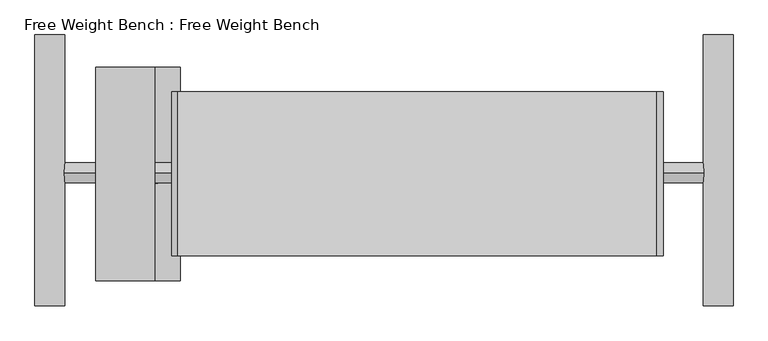
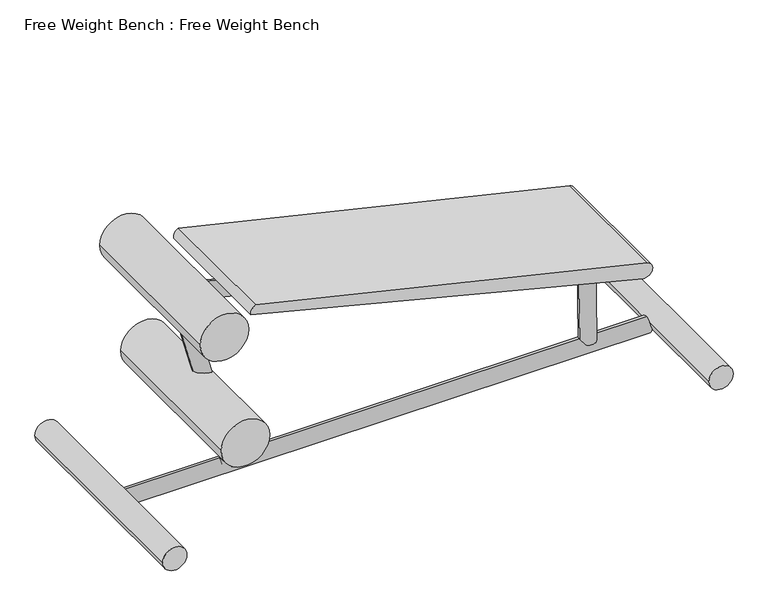
"""IFC4 building model written with IfcOpenShell, lengths in millimetres: proxy geometry, Free Weight Bench : Free Weight Bench."""

from ifc_helpers import new_model, si_unit, point, frame, frame_2d, origin, place, context, project, spatial, polyline, circle_curve, trimmed, segment, composite_curve, outline, extrude, source, transform, mapped, element, save


def free_weight_bench_free_weight_bench_a57117fc(model_context):
    return source(origin(), model_context, "Body", "SweptSolid", [
        extrude(outline(composite_curve([segment(trimmed(circle_curve(frame_2d((39.9587999, -29.6018185)), 38.1), [point((39.9587999, 8.4981815))], [point((39.9587999, -67.7018185))], False, "CARTESIAN"), True, "CONTINUOUS"), segment(trimmed(circle_curve(frame_2d((39.9587999, -29.6018185)), 38.1), [point((39.9587999, -67.7018185))], [point((39.9587999, 8.4981815))], False, "CARTESIAN"), True, "CONTINUOUS")], self_intersect=False)), frame((0.0, 725.6892631, 0.0), z_axis=(0.0, 1.0, 0.0), x_axis=(0.0, 0.0, 1.0)), (0.0, 0.0, 1.0), 697.4694157),
        extrude(outline(composite_curve([segment(trimmed(circle_curve(frame_2d((294.7584065, 230.6836497)), 76.2), [point((294.7584065, 154.4836497))], [point((294.7584065, 306.8836497))], False, "CARTESIAN"), True, "CONTINUOUS"), segment(trimmed(circle_curve(frame_2d((294.7584065, 230.6836497)), 76.2), [point((294.7584065, 306.8836497))], [point((294.7584065, 154.4836497))], False, "CARTESIAN"), True, "CONTINUOUS")], self_intersect=False)), frame((0.0, 790.7691009, 0.0), z_axis=(0.0, 1.0, 0.0), x_axis=(0.0, 0.0, 1.0)), (0.0, 0.0, 1.0), 549.0668753),
        extrude(outline(composite_curve([segment(trimmed(circle_curve(frame_2d((0.0, -25.4)), 25.4), [point((0.0, -50.8))], [point((0.0, 0.0))], False, "CARTESIAN"), True, "CONTINUOUS"), segment(trimmed(circle_curve(frame_2d((0.0, -25.4)), 25.4), [point((0.0, 0.0))], [point((0.0, -50.8))], False, "CARTESIAN"), True, "CONTINUOUS")], self_intersect=False)), frame((1493.8991834, 1066.9338344, 37.4165057), z_axis=(-0.014169682950653878, 0.0, 0.9998996050029613), x_axis=(0.0, -1.0, 0.0)), (0.0, 0.0, 1.0), 292.5389249),
        extrude(outline(composite_curve([segment(trimmed(circle_curve(frame_2d((0.0, -25.4)), 25.4), [point((0.0, -50.8))], [point((0.0, 0.0))], False, "CARTESIAN"), True, "CONTINUOUS"), segment(trimmed(circle_curve(frame_2d((0.0, -25.4)), 25.4), [point((0.0, 0.0))], [point((0.0, -50.8))], False, "CARTESIAN"), True, "CONTINUOUS")], self_intersect=False)), frame((1487.9807039, 1068.3206428, 295.8835549), z_axis=(-0.9702957262759946, 0.0, 0.24192189559967517), x_axis=(0.0, 1.0, 0.0)), (0.0, 0.0, 1.0), 1344.4083052),
        extrude(outline(composite_curve([segment(trimmed(circle_curve(frame_2d((0.0, -25.4)), 25.4), [point((0.0, -50.8))], [point((0.0, 0.0))], False, "CARTESIAN"), True, "CONTINUOUS"), segment(trimmed(circle_curve(frame_2d((0.0, -25.4)), 25.4), [point((0.0, 0.0))], [point((0.0, -50.8))], False, "CARTESIAN"), True, "CONTINUOUS")], self_intersect=False)), frame((366.400056, 1066.9338344, 35.2664529), z_axis=(-0.2588190451025147, 0.0, 0.9659258262890699), x_axis=(0.0, -1.0, 0.0)), (0.0, 0.0, 1.0), 667.1397878),
        extrude(outline(composite_curve([segment(trimmed(circle_curve(frame_2d((1068.3206428, 23.8670022)), 25.4), [point((1068.3206428, 49.2670022))], [point((1068.3206428, -1.5329978))], False, "CARTESIAN"), True, "CONTINUOUS"), segment(trimmed(circle_curve(frame_2d((1068.3206428, 23.8670022)), 25.4), [point((1068.3206428, -1.5329978))], [point((1068.3206428, 49.2670022))], False, "CARTESIAN"), True, "CONTINUOUS")], self_intersect=False)), frame((4.9901881, 0.0, 0.0), z_axis=(1.0, 0.0, 0.0), x_axis=(0.0, 1.0, 0.0)), (0.0, 0.0, 1.0), 1652.8416449),
        extrude(outline(composite_curve([segment(trimmed(circle_curve(frame_2d((39.9587999, 1691.9817555)), 38.1), [point((39.9587999, 1653.8817555))], [point((39.9587999, 1730.0817555))], False, "CARTESIAN"), True, "CONTINUOUS"), segment(trimmed(circle_curve(frame_2d((39.9587999, 1691.9817555)), 38.1), [point((39.9587999, 1730.0817555))], [point((39.9587999, 1653.8817555))], False, "CARTESIAN"), True, "CONTINUOUS")], self_intersect=False)), frame((0.0, 725.6892631, 0.0), z_axis=(0.0, 1.0, 0.0), x_axis=(0.0, 0.0, 1.0)), (0.0, 0.0, 1.0), 697.4694157),
        extrude(outline(composite_curve([segment(trimmed(circle_curve(frame_2d((669.9701604, 164.5236941)), 76.2), [point((669.9701604, 88.3236941))], [point((669.9701604, 240.7236941))], False, "CARTESIAN"), True, "CONTINUOUS"), segment(trimmed(circle_curve(frame_2d((669.9701604, 164.5236941)), 76.2), [point((669.9701604, 240.7236941))], [point((669.9701604, 88.3236941))], False, "CARTESIAN"), True, "CONTINUOUS")], self_intersect=False)), frame((0.0, 790.7691009, 0.0), z_axis=(0.0, 1.0, 0.0), x_axis=(0.0, 0.0, 1.0)), (0.0, 0.0, 1.0), 549.0668753),
        extrude(outline(composite_curve([segment(trimmed(circle_curve(frame_2d((376.785859, 1525.2949444)), 25.4318859), [point((351.7294533, 1520.9409401))], [point((400.9113351, 1533.3411996))], False, "CARTESIAN"), True, "CONTINUOUS"), segment(trimmed(circle_curve(frame_2d((-8060.617718, -1112.3300134)), 8865.4977347), [point((400.9113351, 1533.3411996))], [point((691.6927978, 299.7998386))], False, "CARTESIAN"), True, "CONTINUOUS"), segment(trimmed(circle_curve(frame_2d((668.243213, 310.3137788)), 25.6987542), [point((691.6927978, 299.7998386))], [point((663.3253516, 285.0899685))], False, "CARTESIAN"), True, "CONTINUOUS"), segment(polyline([(663.3253516, 285.0899685), (351.7294533, 1520.9409401)]), True, "CONTINUOUS")], self_intersect=False)), frame((0.0, 854.6827453, 0.0), z_axis=(0.0, 1.0, 0.0), x_axis=(0.0, 0.0, 1.0)), (0.0, 0.0, 1.0), 421.5980746),
    ])


if __name__ == "__main__":
    model = new_model("IFC4")
    model_context = context("Model", 3, world=origin())
    ifc_project = project(units=[si_unit("LENGTHUNIT", "METRE", prefix="MILLI")], contexts=[model_context])
    site = spatial("IfcSite", under=ifc_project)
    building = spatial("IfcBuilding", under=site)
    placement = place(None, origin())
    free_weight_bench_free_weight_bench_shape = free_weight_bench_free_weight_bench_a57117fc(model_context)
    element("IfcBuildingElementProxy", 1, Name="Free Weight Bench : Free Weight Bench", ObjectType="Free Weight Bench : Free Weight Bench", at=placement, inside=building, context=model_context, shape_type="MappedRepresentation", body=[
        mapped(free_weight_bench_free_weight_bench_shape, transform((0.0, 0.0, 0.0), x_axis=(1.0, 0.0, 0.0), y_axis=(0.0, 1.0, 0.0), z_axis=(0.0, 0.0, 1.0))),
    ])
    save(model, "model.ifc")
